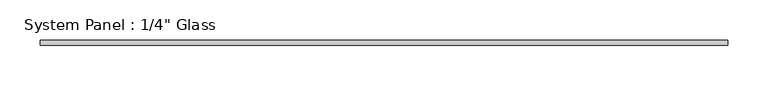
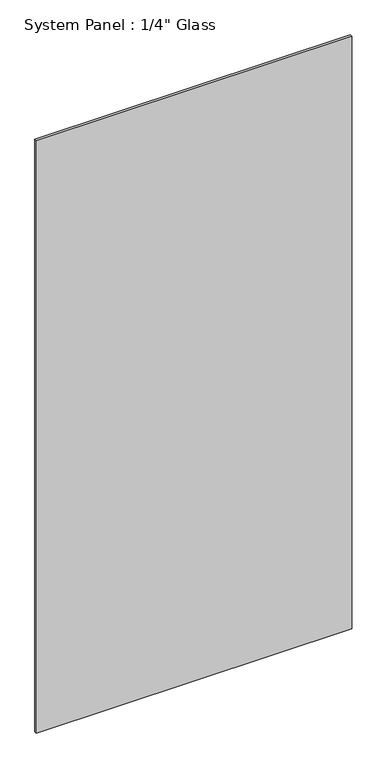
"""IFC4 building model written with IfcOpenShell, lengths in millimetres: plate geometry."""

from ifc_helpers import new_model, si_unit, origin, origin_with_axes, place, context, project, spatial, polyline, outline, extrude, source, transform, mapped, element, save


def plate_d9912bb5(model_context):
    return source(origin(), model_context, "Body", "SweptSolid", [
        extrude(outline(polyline([(427.0375, -3.175), (-427.0375, -3.175), (-427.0375, 3.175), (427.0375, 3.175), (427.0375, -3.175)])), origin_with_axes(), (0.0, 0.0, 1.0), 1695.45),
    ])


if __name__ == "__main__":
    model = new_model("IFC4")
    model_context = context("Model", 3, world=origin())
    ifc_project = project(units=[si_unit("LENGTHUNIT", "METRE", prefix="MILLI")], contexts=[model_context])
    site = spatial("IfcSite", under=ifc_project)
    building = spatial("IfcBuilding", under=site)
    placement = place(None, origin())
    plate_shape = plate_d9912bb5(model_context)
    element("IfcPlate", 1, ObjectType="System Panel : 1/4\" Glass", at=placement, inside=building, context=model_context, shape_type="MappedRepresentation", body=[
        mapped(plate_shape, transform((0.0, 0.0, 0.0), x_axis=(1.0, 0.0, 0.0), y_axis=(0.0, 1.0, 0.0), z_axis=(0.0, 0.0, 1.0))),
    ])
    save(model, "model.ifc")
